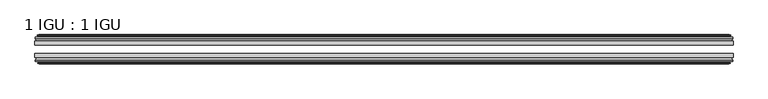
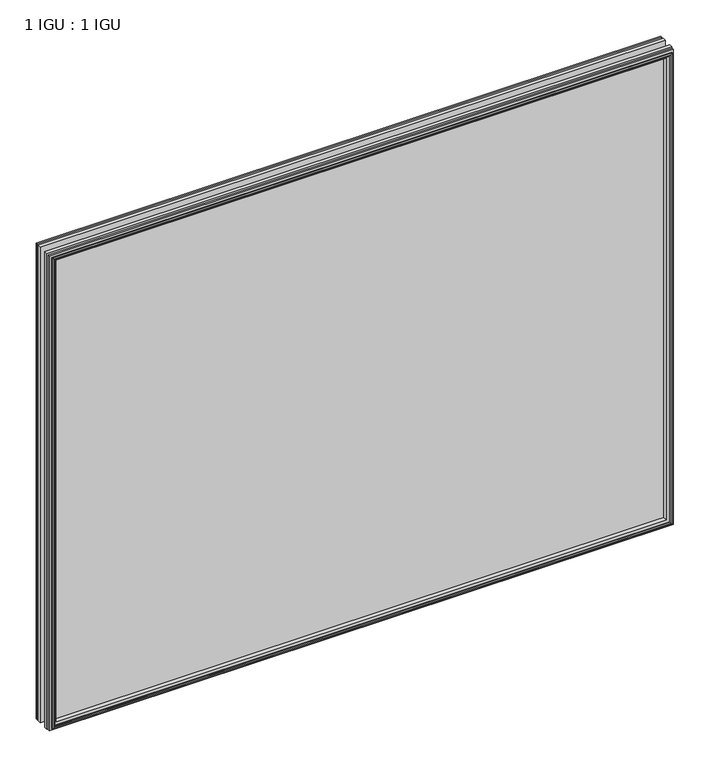
"""IFC4 building model written with IfcOpenShell, lengths in millimetres: plate geometry, 1 IGU : 1 IGU."""

from ifc_helpers import new_model, si_unit, frame, origin, place, context, project, spatial, polyline, outline, extrude, faceted_brep, source, transform, mapped, element, save


def plate_1_igu_1_igu_2d2de748(model_context):
    return source(origin(), model_context, "Body", "SolidModel", [
        extrude(outline(polyline([(536.0659352, -19.5460937), (536.0659352, -25.8960938), (-536.0659352, -25.8960938), (-536.0659352, -19.5460937), (536.0659352, -19.5460937)])), frame((0.0, 0.0, -12.7), z_axis=(0.0, 0.0, 1.0), x_axis=(1.0, 0.0, 0.0)), (0.0, 0.0, 1.0), 863.6),
        extrude(outline(polyline([(-536.0659352, -44.9460938), (-536.0659352, -38.9186737), (536.0659352, -38.9186737), (536.0659352, -44.9460938), (-536.0659352, -44.9460938)])), frame((0.0, 0.0, -12.7), z_axis=(0.0, 0.0, 1.0), x_axis=(1.0, 0.0, 0.0)), (0.0, 0.0, 1.0), 863.6),
        faceted_brep([(-530.4779352, -53.6762907, 845.312), (-530.8589352, -51.2960937, 845.693), (-530.8589352, -51.2960937, -7.493), (-530.4779352, -53.6762907, -7.112), (-531.8934643, -53.2163575, 846.7275291), (-531.8934643, -53.2163575, -8.5275291), (-531.8934643, -54.0175717, 846.7275291), (-531.8934643, -54.0175717, -8.5275291), (-529.7159352, -54.7250937, 844.55), (-529.7159352, -54.7250937, -6.35), (-527.5384062, -54.0175717, 842.3724709), (-527.5384062, -54.0175717, -4.1724709), (-527.5384062, -53.2163575, 842.3724709), (-527.5384062, -53.2163575, -4.1724709), (-528.9539352, -53.6762907, 843.788), (-528.9539352, -53.6762907, -5.588), (-528.5729352, -51.2960937, 843.407), (-528.5729352, -51.2960937, -5.207), (-521.6482171, -44.9460937, 836.4822819), (-523.3659352, -51.2960937, 838.2), (-523.3659352, -51.2960937, 0.0), (-521.6482171, -44.9460937, 1.7177181), (-535.3039352, -48.3496937, 850.138), (-532.4695931, -44.9460937, 847.3036578), (-532.4695931, -44.9460937, -9.1036578), (-535.3039352, -48.3496937, -11.938), (-535.3039352, -51.2960937, 850.138), (-535.3039352, -51.2960937, -11.938), (530.8589352, -51.2960938, -7.493), (530.4779352, -53.6762907, -7.112), (531.8934643, -53.2163575, -8.5275291), (531.8934643, -54.0175717, -8.5275291), (529.7159352, -54.7250937, -6.35), (527.5384062, -54.0175717, -4.1724709), (527.5384062, -53.2163575, -4.1724709), (528.9539352, -53.6762907, -5.588), (528.5729352, -51.2960937, -5.207), (523.3659352, -51.2960937, 0.0), (521.6482171, -44.9460937, 1.7177181), (532.4695931, -44.9460937, -9.1036578), (535.3039352, -48.3496937, -11.938), (535.3039352, -51.2960938, -11.938), (530.8589352, -51.2960938, 845.693), (530.4779352, -53.6762907, 845.312), (531.8934643, -53.2163575, 846.7275291), (531.8934643, -54.0175717, 846.7275291), (529.7159352, -54.7250937, 844.55), (527.5384062, -54.0175717, 842.3724709), (527.5384062, -53.2163575, 842.3724709), (528.9539352, -53.6762907, 843.788), (528.5729352, -51.2960937, 843.407), (523.3659352, -51.2960937, 838.2), (521.6482171, -44.9460937, 836.4822819), (532.4695931, -44.9460937, 847.3036578), (535.3039352, -48.3496937, 850.138), (535.3039352, -51.2960938, 850.138)], [[[0, 1, 2, 3]], [[4, 0, 3, 5]], [[6, 4, 5, 7]], [[8, 6, 7, 9]], [[10, 8, 9, 11]], [[12, 10, 11, 13]], [[14, 12, 13, 15]], [[16, 14, 15, 17]], [[18, 19, 20, 21]], [[22, 23, 24, 25]], [[26, 22, 25, 27]], [[3, 2, 28, 29]], [[5, 3, 29, 30]], [[7, 5, 30, 31]], [[9, 7, 31, 32]], [[11, 9, 32, 33]], [[13, 11, 33, 34]], [[15, 13, 34, 35]], [[17, 15, 35, 36]], [[21, 20, 37, 38]], [[25, 24, 39, 40]], [[27, 25, 40, 41]], [[29, 28, 42, 43]], [[30, 29, 43, 44]], [[31, 30, 44, 45]], [[32, 31, 45, 46]], [[33, 32, 46, 47]], [[34, 33, 47, 48]], [[35, 34, 48, 49]], [[36, 35, 49, 50]], [[38, 37, 51, 52]], [[40, 39, 53, 54]], [[41, 40, 54, 55]], [[27, 41, 55, 26], [1, 42, 28, 2]], [[43, 42, 1, 0]], [[44, 43, 0, 4]], [[45, 44, 4, 6]], [[46, 45, 6, 8]], [[47, 46, 8, 10]], [[48, 47, 10, 12]], [[49, 48, 12, 14]], [[50, 49, 14, 16]], [[17, 36, 50, 16], [19, 51, 37, 20]], [[52, 51, 19, 18]], [[23, 53, 39, 24], [21, 38, 52, 18]], [[54, 53, 23, 22]], [[55, 54, 22, 26]]]),
        faceted_brep([(-532.9902931, -19.5460937, 847.8243578), (-535.8246352, -16.1424937, 850.6587), (-535.8246352, -16.1424937, -12.4587), (-532.9902931, -19.5460937, -9.6243578), (-523.8866352, -13.1960937, 838.7207), (-522.1689171, -19.5460937, 837.0029819), (-522.1689171, -19.5460937, 1.1970181), (-523.8866352, -13.1960937, -0.5207), (-529.4746352, -10.8158968, 844.3087), (-529.0936352, -13.1960937, 843.9277), (-529.0936352, -13.1960937, -5.7277), (-529.4746352, -10.8158968, -6.1087), (-528.0591062, -11.27583, 842.8931709), (-528.0591062, -11.27583, -4.6931709), (-528.0591062, -10.4746158, 842.8931709), (-528.0591062, -10.4746158, -4.6931709), (-530.2366352, -9.7670937, 845.0707), (-530.2366352, -9.7670937, -6.8707), (-532.4141643, -10.4746158, 847.2482291), (-532.4141643, -10.4746158, -9.0482291), (-532.4141643, -11.27583, 847.2482291), (-532.4141643, -11.27583, -9.0482291), (-530.9986352, -10.8158968, 845.8327), (-530.9986352, -10.8158968, -7.6327), (-531.3796352, -13.1960937, 846.2137), (-531.3796352, -13.1960937, -8.0137), (-535.8246352, -13.1960937, 850.6587), (-535.8246352, -13.1960937, -12.4587), (535.8246352, -16.1424937, -12.4587), (532.9902931, -19.5460937, -9.6243578), (522.1689171, -19.5460937, 1.1970181), (523.8866352, -13.1960937, -0.5207), (529.0936352, -13.1960937, -5.7277), (529.4746352, -10.8158968, -6.1087), (528.0591062, -11.27583, -4.6931709), (528.0591062, -10.4746158, -4.6931709), (530.2366352, -9.7670937, -6.8707), (532.4141643, -10.4746158, -9.0482291), (532.4141643, -11.27583, -9.0482291), (530.9986352, -10.8158968, -7.6327), (531.3796352, -13.1960937, -8.0137), (535.8246352, -13.1960937, -12.4587), (535.8246352, -16.1424937, 850.6587), (532.9902931, -19.5460937, 847.8243578), (522.1689171, -19.5460937, 837.0029819), (523.8866352, -13.1960937, 838.7207), (529.0936352, -13.1960937, 843.9277), (529.4746352, -10.8158968, 844.3087), (528.0591062, -11.27583, 842.8931709), (528.0591062, -10.4746158, 842.8931709), (530.2366352, -9.7670937, 845.0707), (532.4141643, -10.4746158, 847.2482291), (532.4141643, -11.27583, 847.2482291), (530.9986352, -10.8158968, 845.8327), (531.3796352, -13.1960937, 846.2137), (535.8246352, -13.1960937, 850.6587)], [[[0, 1, 2, 3]], [[4, 5, 6, 7]], [[8, 9, 10, 11]], [[12, 8, 11, 13]], [[14, 12, 13, 15]], [[16, 14, 15, 17]], [[18, 16, 17, 19]], [[20, 18, 19, 21]], [[22, 20, 21, 23]], [[24, 22, 23, 25]], [[1, 26, 27, 2]], [[3, 2, 28, 29]], [[7, 6, 30, 31]], [[11, 10, 32, 33]], [[13, 11, 33, 34]], [[15, 13, 34, 35]], [[17, 15, 35, 36]], [[19, 17, 36, 37]], [[21, 19, 37, 38]], [[23, 21, 38, 39]], [[25, 23, 39, 40]], [[2, 27, 41, 28]], [[29, 28, 42, 43]], [[31, 30, 44, 45]], [[33, 32, 46, 47]], [[34, 33, 47, 48]], [[35, 34, 48, 49]], [[36, 35, 49, 50]], [[37, 36, 50, 51]], [[38, 37, 51, 52]], [[39, 38, 52, 53]], [[40, 39, 53, 54]], [[28, 41, 55, 42]], [[43, 42, 1, 0]], [[3, 29, 43, 0], [5, 44, 30, 6]], [[45, 44, 5, 4]], [[9, 46, 32, 10], [7, 31, 45, 4]], [[47, 46, 9, 8]], [[48, 47, 8, 12]], [[49, 48, 12, 14]], [[50, 49, 14, 16]], [[51, 50, 16, 18]], [[52, 51, 18, 20]], [[53, 52, 20, 22]], [[54, 53, 22, 24]], [[26, 55, 41, 27], [25, 40, 54, 24]], [[42, 55, 26, 1]]]),
    ])


if __name__ == "__main__":
    model = new_model("IFC4")
    model_context = context("Model", 3, world=origin())
    ifc_project = project(units=[si_unit("LENGTHUNIT", "METRE", prefix="MILLI")], contexts=[model_context])
    site = spatial("IfcSite", under=ifc_project)
    building = spatial("IfcBuilding", under=site)
    placement = place(None, origin())
    plate_1_igu_1_igu_shape = plate_1_igu_1_igu_2d2de748(model_context)
    element("IfcPlate", 1, ObjectType="1 IGU : 1 IGU", at=placement, inside=building, context=model_context, shape_type="MappedRepresentation", body=[
        mapped(plate_1_igu_1_igu_shape, transform((0.0, 0.0, 0.0), x_axis=(1.0, 0.0, 0.0), y_axis=(0.0, 1.0, 0.0), z_axis=(0.0, 0.0, 1.0))),
    ])
    save(model, "model.ifc")
